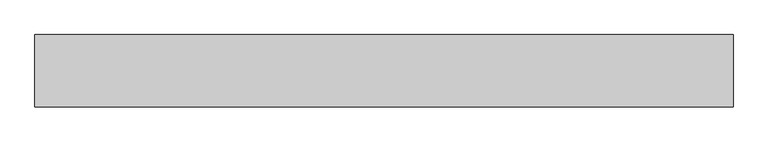
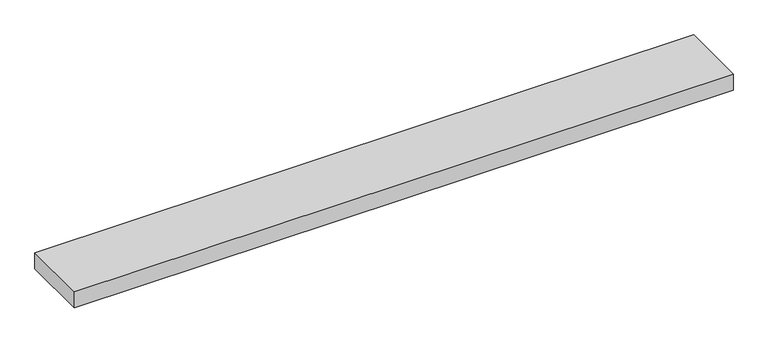
"""IFC4 building model written with IfcOpenShell, lengths in millimetres: proxy geometry."""

from ifc_helpers import new_model, si_unit, origin, origin_with_axes, place, context, project, spatial, polyline, outline, extrude, source, transform, mapped, element, save


def generic_models_0907d3f7(model_context):
    return source(origin(), model_context, "Body", "SweptSolid", [
        extrude(outline(polyline([(0.0, 400.0), (3850.0, 400.0), (3850.0, 0.0), (0.0, 0.0), (0.0, 400.0)])), origin_with_axes(), (0.0, 0.0, 1.0), 100.0),
    ])


if __name__ == "__main__":
    model = new_model("IFC4")
    model_context = context("Model", 3, world=origin())
    ifc_project = project(units=[si_unit("LENGTHUNIT", "METRE", prefix="MILLI")], contexts=[model_context])
    site = spatial("IfcSite", under=ifc_project)
    building = spatial("IfcBuilding", under=site)
    placement = place(None, origin())
    generic_models_shape = generic_models_0907d3f7(model_context)
    element("IfcBuildingElementProxy", 1, Name="Generic Models", at=placement, inside=building, context=model_context, shape_type="MappedRepresentation", body=[
        mapped(generic_models_shape, transform((0.0, 0.0, 0.0), x_axis=(1.0, 0.0, 0.0), y_axis=(0.0, 1.0, 0.0), z_axis=(0.0, 0.0, 1.0))),
    ])
    save(model, "model.ifc")
